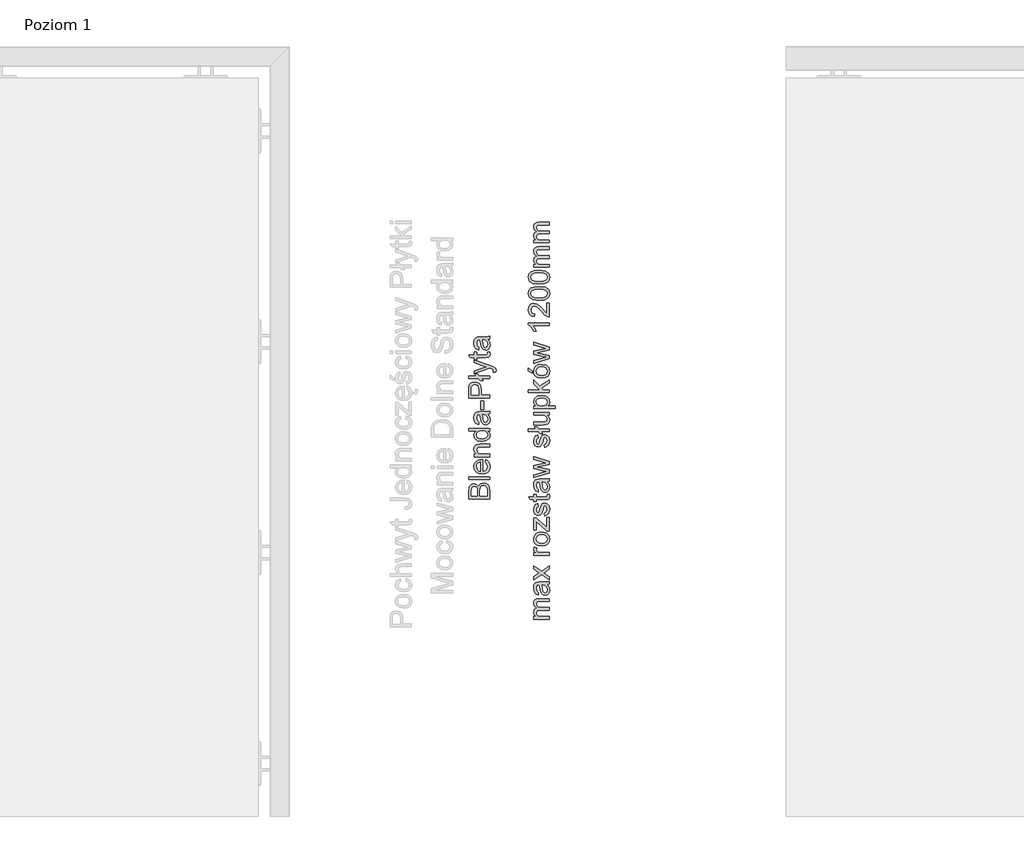
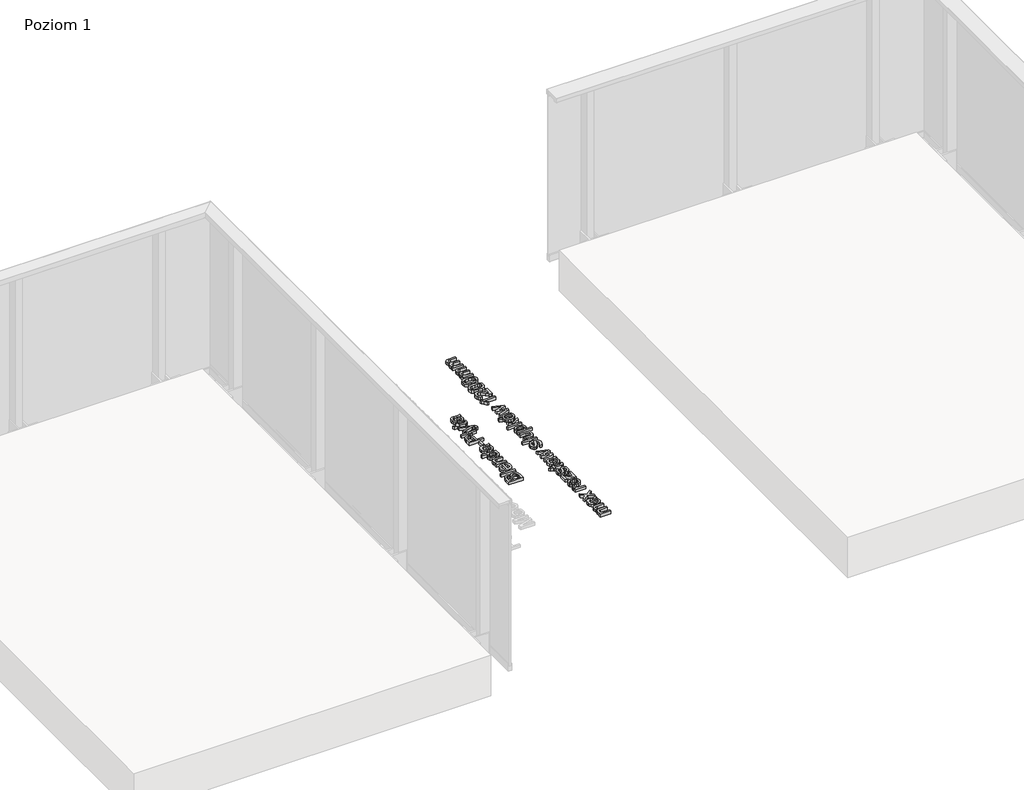
# One storey, part 32 of 35: 2 proxies.
"""IFC4 building model written with IfcOpenShell, lengths in millimetres."""

from ifc_helpers import new_model, si_unit, origin, origin_with_axes, place, context, project, spatial, polyline, outline, extrude, element, save

model = new_model("IFC4")

# Units and contexts
model_context = context("Model", 3, world=origin())
ifc_project = project(units=[si_unit("LENGTHUNIT", "METRE", prefix="MILLI")], contexts=[model_context])

# Site, building, storey
site = spatial("IfcSite", under=ifc_project)
building = spatial("IfcBuilding", under=site)
storey = spatial("IfcBuildingStorey", under=building, Name="Poziom 1", Elevation=0.0)

# Proxies
placement = place(None, origin())
element("IfcBuildingElementProxy", 1, Name="Generic Models", at=placement, inside=storey, context=model_context, shape_type="SweptSolid", body=[
    extrude(outline(polyline([(10487.3598268, 1875.7082277), (10386.9035167, 1875.7082277), (10386.9035167, 1914.0415316), (10389.8588354, 1932.815776), (10398.9455207, 1943.9012868), (10411.796865, 1947.9112006), (10423.5323007, 1944.538949), (10432.4227822, 1934.3486177), (10441.7915104, 1946.7217155), (10457.4142324, 1951.0504603), (10470.9155017, 1948.0951416), (10480.5294845, 1940.7742899), (10485.6307815, 1929.8481946), (10487.3598268, 1913.747226), (10487.3598268, 1875.7082277)]), holes=[polyline([(10427.7138927, 1888.2652664), (10427.7138927, 1911.1965775), (10426.6347722, 1924.5874821), (10421.9871963, 1932.6440978), (10413.8079533, 1935.3541618), (10405.6164475, 1932.8280388), (10400.7726679, 1925.5930262), (10399.4605555, 1909.4552693), (10399.4605555, 1888.2652664), (10427.7138927, 1888.2652664)]), polyline([(10474.8027881, 1888.2652664), (10474.8027881, 1914.0170061), (10474.3122788, 1923.3366833), (10471.5776893, 1931.2216207), (10465.9981457, 1936.4455451), (10457.5368598, 1938.4934215), (10447.7757242, 1936.0899258), (10441.9509259, 1928.3030902), (10440.2709315, 1912.7907328), (10440.2709315, 1888.2652664), (10474.8027881, 1888.2652664)])]), origin_with_axes(), (0.0, 0.0, 1.0), 20.0),
    extrude(outline(polyline([(10487.3598268, 1966.7467587), (10386.9035167, 1966.7467587), (10386.9035167, 1979.3037975), (10487.3598268, 1979.3037975), (10487.3598268, 1966.7467587)])), origin_with_axes(), (0.0, 0.0, 1.0), 20.0),
    extrude(outline(polyline([(10465.385009, 2049.7899878), (10466.9546388, 2062.1017719), (10476.2313965, 2057.6657282), (10483.1659721, 2050.5870654), (10487.4885855, 2041.0251992), (10488.9294567, 2029.1395451), (10486.4431875, 2014.4058712), (10478.9843801, 2003.0689744), (10467.0374123, 1995.8400932), (10451.0866621, 1993.4304661), (10434.5994174, 1995.8646186), (10422.2692392, 2003.1670763), (10414.5805055, 2014.3506889), (10412.0175942, 2028.4283066), (10414.5743741, 2042.0675316), (10422.2447137, 2052.9660357), (10434.5503664, 2060.1121434), (10451.0130857, 2062.4941793), (10454.3976001, 2062.4206029), (10454.3976001, 2005.9875049), (10463.7969851, 2008.1610743), (10470.7070352, 2013.2102547), (10474.9560722, 2020.4973839), (10476.3724179, 2029.3847998), (10473.748193, 2041.6965839), (10465.385009, 2049.7899878)]), holes=[polyline([(10441.8405613, 2005.9875049), (10441.8405613, 2049.9371406), (10430.4607449, 2044.90942), (10426.046161, 2037.5885683), (10424.574633, 2028.3792557), (10429.2712598, 2012.9159491), (10434.7618986, 2008.0507097), (10441.8405613, 2005.9875049)])]), origin_with_axes(), (0.0, 0.0, 1.0), 20.0),
    extrude(outline(polyline([(10487.3598268, 2075.0512181), (10413.5872241, 2075.0512181), (10413.5872241, 2087.6082569), (10423.8879199, 2087.6082569), (10414.9851757, 2097.209977), (10412.0175942, 2110.3188387), (10414.4088272, 2122.1769017), (10420.6873466, 2130.2703056), (10429.9211847, 2134.0349647), (10442.0612905, 2134.6971523), (10487.3598268, 2134.6971523), (10487.3598268, 2122.1401135), (10443.7535477, 2122.1401135), (10432.6435114, 2120.693111), (10426.7696622, 2115.5795512), (10424.574633, 2106.9588498), (10429.5042517, 2093.3349533), (10436.6472938, 2089.039931), (10448.2171826, 2087.6082569), (10487.3598268, 2087.6082569), (10487.3598268, 2075.0512181)])), origin_with_axes(), (0.0, 0.0, 1.0), 20.0),
    extrude(outline(polyline([(10487.3598268, 2197.4823461), (10475.5140266, 2197.4823461), (10485.5755992, 2189.1743444), (10488.9294567, 2177.6902948), (10484.0734144, 2162.1411491), (10470.5230942, 2151.1537402), (10450.5471019, 2147.254191), (10430.5588468, 2150.8471718), (10416.8000602, 2161.6138516), (10412.0175942, 2177.6412438), (10415.4388968, 2189.2172639), (10424.3293783, 2197.4823461), (10386.9035167, 2197.4823461), (10386.9035167, 2210.0393849), (10487.3598268, 2210.0393849), (10487.3598268, 2197.4823461)]), holes=[polyline([(10450.4980509, 2159.8112298), (10461.8564075, 2161.2275755), (10469.934483, 2165.4766125), (10474.7629342, 2171.6508987), (10476.3724179, 2178.8429917), (10474.8365106, 2186.032019), (10470.2287886, 2192.0499553), (10462.4634128, 2196.1242484), (10451.4545441, 2197.4823461), (10439.4186715, 2196.0997229), (10431.0738816, 2191.9518534), (10426.1994452, 2185.780633), (10424.574633, 2178.3279569), (10426.1350658, 2171.0622875), (10430.8163642, 2165.1087305), (10438.8576515, 2161.135605), (10450.4980509, 2159.8112298)])]), origin_with_axes(), (0.0, 0.0, 1.0), 20.0),
    extrude(outline(polyline([(10477.9420478, 2275.9638384), (10486.4523846, 2263.7869444), (10488.9294567, 2250.3347261), (10487.4395346, 2239.8408922), (10482.9697684, 2232.1000419), (10476.1823456, 2227.326773), (10467.7394538, 2225.7356833), (10457.8066399, 2228.139179), (10450.5961528, 2234.4544866), (10446.4758745, 2243.2468663), (10444.5874135, 2254.1116479), (10440.2709315, 2275.890262), (10437.4750283, 2275.9638384), (10428.204402, 2272.5057477), (10424.574633, 2258.6243337), (10426.9903914, 2245.9201421), (10435.5620419, 2239.8623519), (10433.9924121, 2227.3053132), (10421.7296789, 2232.737704), (10414.5437173, 2243.676062), (10412.0175942, 2260.2430145), (10414.2494117, 2275.4610663), (10419.8534807, 2284.0572423), (10428.3760803, 2287.9077405), (10439.3634892, 2288.5208772), (10454.9862113, 2288.5208772), (10476.8016136, 2289.1585393), (10487.3598268, 2291.6601369), (10487.3598268, 2279.1030981), (10477.9420478, 2275.9638384)]), holes=[polyline([(10452.8279702, 2275.9638384), (10456.6784685, 2255.7058032), (10458.7140822, 2244.9023353), (10462.0250201, 2240.0095047), (10466.856537, 2238.2927221), (10473.6500912, 2242.0328557), (10476.3724179, 2253.0080019), (10473.3680483, 2265.7121935), (10466.0962475, 2273.9036992), (10456.3841629, 2275.890262), (10452.8279702, 2275.9638384)])]), origin_with_axes(), (0.0, 0.0, 1.0), 20.0),
    extrude(outline(polyline([(10457.5368598, 2299.5082861), (10444.979821, 2299.5082861), (10444.979821, 2338.7490323), (10457.5368598, 2338.7490323), (10457.5368598, 2299.5082861)])), origin_with_axes(), (0.0, 0.0, 1.0), 20.0),
    extrude(outline(polyline([(10487.3598268, 2354.4453307), (10386.9035167, 2354.4453307), (10386.9035167, 2391.6749886), (10387.8600099, 2406.684574), (10392.5566367, 2418.8859935), (10402.2687214, 2426.7954564), (10415.9661943, 2429.7875633), (10427.8058632, 2427.767278), (10437.671232, 2421.7064222), (10444.3298961, 2410.372591), (10446.5494509, 2392.5333799), (10446.5494509, 2367.0023695), (10487.3598268, 2367.0023695), (10487.3598268, 2354.4453307)]), holes=[polyline([(10433.9924121, 2367.0023695), (10433.9924121, 2393.2691439), (10429.3816244, 2411.7613456), (10423.8327376, 2415.8632298), (10416.4076527, 2417.2305246), (10406.008855, 2414.0054257), (10400.3189468, 2405.5318771), (10399.4605555, 2392.9748383), (10399.4605555, 2367.0023695), (10433.9924121, 2367.0023695)])]), origin_with_axes(), (0.0, 0.0, 1.0), 20.0),
    extrude(outline(polyline([(10447.6530968, 2445.4838618), (10455.182415, 2436.0660827), (10441.0557464, 2436.0660827), (10433.5264282, 2445.4838618), (10386.9035167, 2445.4838618), (10386.9035167, 2458.0409006), (10423.470987, 2458.0409006), (10415.9416689, 2467.4586796), (10430.0683375, 2467.4586796), (10437.5976556, 2458.0409006), (10487.3598268, 2458.0409006), (10487.3598268, 2445.4838618), (10447.6530968, 2445.4838618)])), origin_with_axes(), (0.0, 0.0, 1.0), 20.0),
    extrude(outline(polyline([(10515.6131641, 2476.8764587), (10503.5221092, 2475.3068289), (10504.6257552, 2481.6834501), (10503.2400663, 2487.6431384), (10499.3773054, 2491.2974329), (10490.1312045, 2494.7309982), (10487.0900467, 2495.7120169), (10413.5872241, 2469.0283095), (10413.5872241, 2482.2720613), (10454.5447529, 2496.4232554), (10470.9277644, 2501.3528741), (10456.4577393, 2506.2824929), (10413.5872241, 2520.8260944), (10413.5872241, 2533.9717444), (10489.1256604, 2508.2935811), (10505.5086719, 2501.6226543), (10514.3623653, 2494.3385907), (10517.1827939, 2484.5529297), (10515.6131641, 2476.8764587)])), origin_with_axes(), (0.0, 0.0, 1.0), 20.0),
    extrude(outline(polyline([(10476.8874527, 2571.0542495), (10487.7277088, 2572.6238793), (10488.9294567, 2563.2306257), (10486.8447921, 2552.7092006), (10481.3756131, 2547.4607508), (10467.1263171, 2545.9401719), (10426.1442629, 2545.9401719), (10426.1442629, 2536.5223929), (10413.5872241, 2536.5223929), (10413.5872241, 2545.9401719), (10395.6591082, 2545.9401719), (10388.2769428, 2558.4972107), (10413.5872241, 2558.4972107), (10413.5872241, 2571.0542495), (10426.1442629, 2571.0542495), (10426.1442629, 2558.4972107), (10466.7584351, 2558.4972107), (10473.2331582, 2559.1593983), (10475.5262893, 2561.3053766), (10476.3724179, 2565.5850705), (10476.8874527, 2571.0542495)])), origin_with_axes(), (0.0, 0.0, 1.0), 20.0),
    extrude(outline(polyline([(10477.9420478, 2630.7001836), (10486.4523846, 2618.5232896), (10488.9294567, 2605.0710713), (10487.4395346, 2594.5772374), (10482.9697684, 2586.8363871), (10476.1823456, 2582.0631182), (10467.7394538, 2580.4720285), (10457.8066399, 2582.8755243), (10450.5961528, 2589.1908318), (10446.4758745, 2597.9832115), (10444.5874135, 2608.8479931), (10440.2709315, 2630.6266072), (10437.4750283, 2630.7001836), (10428.204402, 2627.2420929), (10424.574633, 2613.3606789), (10426.9903914, 2600.6564874), (10435.5620419, 2594.5986972), (10433.9924121, 2582.0416584), (10421.7296789, 2587.4740492), (10414.5437173, 2598.4124072), (10412.0175942, 2614.9793597), (10414.2494117, 2630.1974116), (10419.8534807, 2638.7935875), (10428.3760803, 2642.6440857), (10439.3634892, 2643.2572224), (10454.9862113, 2643.2572224), (10476.8016136, 2643.8948845), (10487.3598268, 2646.3964821), (10487.3598268, 2633.8394433), (10477.9420478, 2630.7001836)]), holes=[polyline([(10452.8279702, 2630.7001836), (10456.6784685, 2610.4421484), (10458.7140822, 2599.6386805), (10462.0250201, 2594.74585), (10466.856537, 2593.0290673), (10473.6500912, 2596.7692009), (10476.3724179, 2607.7443471), (10473.3680483, 2620.4485387), (10466.0962475, 2628.6400445), (10456.3841629, 2630.6266072), (10452.8279702, 2630.7001836)])]), origin_with_axes(), (0.0, 0.0, 1.0), 20.0),
])
element("IfcBuildingElementProxy", 2, Name="Generic Models", at=placement, inside=storey, context=model_context, shape_type="SweptSolid", body=[
    extrude(outline(polyline([(10769.7173752, 1304.9023417), (10695.9447724, 1304.9023417), (10695.9447724, 1317.4593804), (10708.0848783, 1317.4593804), (10698.1398017, 1326.0923446), (10694.3751426, 1338.3796032), (10698.2133781, 1350.9611675), (10708.9677951, 1357.877349), (10698.0233057, 1367.6752728), (10694.3751426, 1380.0483706), (10695.8926558, 1389.4876094), (10700.4451955, 1396.4681703), (10708.155389, 1400.7815867), (10719.1458636, 1402.2193921), (10769.7173752, 1402.2193921), (10769.7173752, 1389.6623534), (10724.5414662, 1389.6623534), (10714.0568293, 1388.4973937), (10708.8942187, 1384.2790135), (10706.9321813, 1377.1053146), (10711.959902, 1364.7567423), (10718.5020701, 1361.0687253), (10728.0731333, 1359.8393863), (10769.7173752, 1359.8393863), (10769.7173752, 1347.2823475), (10723.1435146, 1347.2823475), (10710.9788833, 1344.3760798), (10706.9321813, 1334.8479361), (10709.6299826, 1325.5527843), (10717.5271828, 1319.3723668), (10732.5122427, 1317.4593804), (10769.7173752, 1317.4593804), (10769.7173752, 1304.9023417)])), origin_with_axes(), (0.0, 0.0, 1.0), 20.0),
    extrude(outline(polyline([(10760.2995961, 1468.1438457), (10768.8099329, 1455.9669516), (10771.287005, 1442.5147333), (10769.797083, 1432.0208994), (10765.3273167, 1424.2800491), (10758.5398939, 1419.5067802), (10750.0970021, 1417.9156906), (10740.1641882, 1420.3191863), (10732.9537011, 1426.6344939), (10728.8334228, 1435.4268736), (10726.9449619, 1446.2916552), (10722.6284798, 1468.0702693), (10719.8325766, 1468.1438457), (10710.5619504, 1464.6857549), (10706.9321813, 1450.804341), (10709.3479398, 1438.1001494), (10717.9195903, 1432.0423592), (10716.3499604, 1419.4853204), (10704.0872273, 1424.9177112), (10696.9012656, 1435.8560692), (10694.3751426, 1452.4230217), (10696.60696, 1467.6410736), (10702.2110291, 1476.2372496), (10710.7336286, 1480.0877478), (10721.7210376, 1480.7008844), (10737.3437596, 1480.7008844), (10759.1591619, 1481.3385466), (10769.7173752, 1483.8401441), (10769.7173752, 1471.2831054), (10760.2995961, 1468.1438457)]), holes=[polyline([(10735.1855186, 1468.1438457), (10739.0360168, 1447.8858105), (10741.0716305, 1437.0823425), (10744.3825685, 1432.189512), (10749.2140853, 1430.4727294), (10756.0076395, 1434.212863), (10758.7299663, 1445.1880092), (10755.7255966, 1457.8922007), (10748.4537959, 1466.0837065), (10738.7417112, 1468.0702693), (10735.1855186, 1468.1438457)])]), origin_with_axes(), (0.0, 0.0, 1.0), 20.0),
    extrude(outline(polyline([(10769.7173752, 1490.1186635), (10732.6348701, 1516.9495237), (10695.9447724, 1491.6882934), (10695.9447724, 1506.7959806), (10713.6031082, 1518.9851374), (10721.9417668, 1524.6750456), (10715.1236871, 1529.6046643), (10695.9447724, 1543.4860783), (10695.9447724, 1558.5937656), (10732.6348701, 1532.057211), (10769.7173752, 1557.6127469), (10769.7173752, 1542.5050596), (10747.4237263, 1527.1275922), (10743.3524989, 1524.3071636), (10769.7173752, 1505.2263508), (10769.7173752, 1490.1186635)])), origin_with_axes(), (0.0, 0.0, 1.0), 20.0),
    extrude(outline(polyline([(10769.7173752, 1607.840902), (10695.9447724, 1607.840902), (10695.9447724, 1618.8283109), (10706.858605, 1618.8283109), (10696.8031637, 1626.6274092), (10694.3751426, 1634.4755584), (10698.2501663, 1647.0816481), (10709.5073553, 1642.8877934), (10706.9321813, 1634.0586255), (10709.4092535, 1626.958503), (10716.276384, 1622.4335544), (10730.9426129, 1620.3979407), (10769.7173752, 1620.3979407), (10769.7173752, 1607.840902)])), origin_with_axes(), (0.0, 0.0, 1.0), 20.0),
    extrude(outline(polyline([(10732.8310738, 1651.7905377), (10715.0439793, 1654.5067331), (10702.5421229, 1662.6553193), (10696.4168877, 1672.7230232), (10694.3751426, 1684.7772899), (10696.8614117, 1697.9689251), (10704.3202192, 1708.5056786), (10716.1629537, 1715.412663), (10731.8010042, 1717.7149912), (10754.1437041, 1713.6437638), (10766.786582, 1701.7857008), (10771.287005, 1684.7772899), (10768.8099329, 1671.4262392), (10761.3787166, 1660.9017484), (10749.2876617, 1654.0683404), (10732.8310738, 1651.7905377)]), holes=[polyline([(10732.8065483, 1664.3475764), (10744.1710363, 1665.8007103), (10752.2675059, 1670.160112), (10757.1143512, 1676.7206742), (10758.7299663, 1684.7772899), (10757.1051541, 1692.7971174), (10752.2307177, 1699.3454169), (10744.0269492, 1703.7048185), (10732.4141409, 1705.1579524), (10721.3807467, 1703.6956215), (10713.3946417, 1699.3086287), (10708.5477964, 1692.7511321), (10706.9321813, 1684.7772899), (10708.5416651, 1676.7206742), (10713.3701163, 1670.160112), (10721.4481917, 1665.8007103), (10732.8065483, 1664.3475764)])]), origin_with_axes(), (0.0, 0.0, 1.0), 20.0),
    extrude(outline(polyline([(10769.7173752, 1723.9935106), (10757.8961004, 1723.9935106), (10708.5018112, 1767.3300096), (10708.5018112, 1754.5031907), (10708.5018112, 1727.1327703), (10695.9447724, 1727.1327703), (10695.9447724, 1785.2090746), (10706.6133503, 1785.2090746), (10750.4403586, 1746.7776688), (10757.1603364, 1740.8915569), (10757.1603364, 1755.410633), (10757.1603364, 1786.7787044), (10769.7173752, 1786.7787044), (10769.7173752, 1723.9935106)])), origin_with_axes(), (0.0, 0.0, 1.0), 20.0),
    extrude(outline(polyline([(10747.7425573, 1794.6268537), (10746.1729275, 1807.1838924), (10755.4926047, 1812.996428), (10758.7299663, 1826.3137562), (10755.7623848, 1839.1160496), (10748.7971524, 1843.2853789), (10743.1562951, 1839.0915241), (10739.5755771, 1826.1666034), (10733.4319477, 1807.2574688), (10726.2582488, 1799.0046494), (10716.1292312, 1796.1964835), (10706.7727658, 1798.4528264), (10699.6235924, 1804.6087185), (10695.9079842, 1812.5917578), (10694.3751426, 1823.3952257), (10696.8399519, 1838.6745912), (10703.5108788, 1848.3866759), (10714.7803306, 1852.703158), (10716.3499604, 1840.1461192), (10709.4215162, 1835.4249669), (10706.9321813, 1824.3762443), (10709.3111516, 1812.3587658), (10714.853907, 1808.7535223), (10718.5082015, 1810.2495757), (10721.2795792, 1814.9339398), (10723.952855, 1825.7496704), (10729.8634924, 1844.1805584), (10736.5589447, 1852.7399462), (10747.4727772, 1855.8424177), (10759.4902557, 1852.2003859), (10768.209059, 1841.6912236), (10771.287005, 1826.1420779), (10769.8032143, 1813.4808059), (10765.3518422, 1804.2408365), (10757.9819395, 1798.0726817), (10747.7425573, 1794.6268537)])), origin_with_axes(), (0.0, 0.0, 1.0), 20.0),
    extrude(outline(polyline([(10759.2450011, 1896.6527937), (10770.0852572, 1898.2224235), (10771.287005, 1888.8291699), (10769.2023404, 1878.3077448), (10763.7331614, 1873.059295), (10749.4838655, 1871.5387161), (10708.5018112, 1871.5387161), (10708.5018112, 1862.120937), (10695.9447724, 1862.120937), (10695.9447724, 1871.5387161), (10678.0166565, 1871.5387161), (10670.6344912, 1884.0957549), (10695.9447724, 1884.0957549), (10695.9447724, 1896.6527937), (10708.5018112, 1896.6527937), (10708.5018112, 1884.0957549), (10749.1159835, 1884.0957549), (10755.5907066, 1884.7579425), (10757.8838377, 1886.9039208), (10758.7299663, 1891.1836147), (10759.2450011, 1896.6527937)])), origin_with_axes(), (0.0, 0.0, 1.0), 20.0),
    extrude(outline(polyline([(10760.2995961, 1956.2987278), (10768.8099329, 1944.1218338), (10771.287005, 1930.6696155), (10769.797083, 1920.1757816), (10765.3273167, 1912.4349312), (10758.5398939, 1907.6616624), (10750.0970021, 1906.0705727), (10740.1641882, 1908.4740684), (10732.9537011, 1914.789376), (10728.8334228, 1923.5817557), (10726.9449619, 1934.4465373), (10722.6284798, 1956.2251514), (10719.8325766, 1956.2987278), (10710.5619504, 1952.8406371), (10706.9321813, 1938.9592231), (10709.3479398, 1926.2550315), (10717.9195903, 1920.1972413), (10716.3499604, 1907.6402026), (10704.0872273, 1913.0725934), (10696.9012656, 1924.0109514), (10694.3751426, 1940.5779039), (10696.60696, 1955.7959557), (10702.2110291, 1964.3921317), (10710.7336286, 1968.2426299), (10721.7210376, 1968.8557666), (10737.3437596, 1968.8557666), (10759.1591619, 1969.4934287), (10769.7173752, 1971.9950263), (10769.7173752, 1959.4379875), (10760.2995961, 1956.2987278)]), holes=[polyline([(10735.1855186, 1956.2987278), (10739.0360168, 1936.0406926), (10741.0716305, 1925.2372247), (10744.3825685, 1920.3443941), (10749.2140853, 1918.6276115), (10756.0076395, 1922.3677451), (10758.7299663, 1933.3428913), (10755.7255966, 1946.0470829), (10748.4537959, 1954.2385886), (10738.7417112, 1956.2251514), (10735.1855186, 1956.2987278)])]), origin_with_axes(), (0.0, 0.0, 1.0), 20.0),
    extrude(outline(polyline([(10769.7173752, 1998.3599026), (10695.9447724, 1975.9191009), (10695.9447724, 1988.966649), (10738.9869659, 2001.695366), (10754.3644333, 2005.4968133), (10739.5510516, 2008.6115475), (10695.9447724, 2018.7405651), (10695.9447724, 2033.7010996), (10739.4284243, 2043.7810663), (10752.8438543, 2046.552444), (10738.6926603, 2050.5255695), (10695.9447724, 2063.278812), (10695.9447724, 2076.375411), (10769.7173752, 2053.7629311), (10769.7173752, 2038.5816674), (10726.4544526, 2028.9431591), (10712.9654461, 2026.147256), (10769.7173752, 2013.7128445), (10769.7173752, 1998.3599026)])), origin_with_axes(), (0.0, 0.0, 1.0), 20.0),
    extrude(outline(polyline([(10747.7425573, 2119.5402318), (10746.1729275, 2132.0972706), (10755.4926047, 2137.9098061), (10758.7299663, 2151.2271343), (10755.7623848, 2164.0294277), (10748.7971524, 2168.198757), (10743.1562951, 2164.0049023), (10739.5755771, 2151.0799815), (10733.4319477, 2132.170847), (10726.2582488, 2123.9180275), (10716.1292312, 2121.1098616), (10706.7727658, 2123.3662045), (10699.6235924, 2129.5220966), (10695.9079842, 2137.5051359), (10694.3751426, 2148.3086038), (10696.8399519, 2163.5879694), (10703.5108788, 2173.300054), (10714.7803306, 2177.6165361), (10716.3499604, 2165.0594973), (10709.4215162, 2160.3383451), (10706.9321813, 2149.2896225), (10709.3111516, 2137.272144), (10714.853907, 2133.6669004), (10718.5082015, 2135.1629539), (10721.2795792, 2139.8473179), (10723.952855, 2150.6630486), (10729.8634924, 2169.0939365), (10736.5589447, 2177.6533243), (10747.4727772, 2180.7557958), (10759.4902557, 2177.113764), (10768.209059, 2166.6046017), (10771.287005, 2151.0554561), (10769.8032143, 2138.3941841), (10765.3518422, 2129.1542146), (10757.9819395, 2122.9860598), (10747.7425573, 2119.5402318)])), origin_with_axes(), (0.0, 0.0, 1.0), 20.0),
    extrude(outline(polyline([(10730.0106452, 2194.8824644), (10737.5399633, 2185.4646853), (10723.4132947, 2185.4646853), (10715.8839766, 2194.8824644), (10669.261065, 2194.8824644), (10669.261065, 2207.4395032), (10705.8285354, 2207.4395032), (10698.2992172, 2216.8572823), (10712.4258858, 2216.8572823), (10719.955204, 2207.4395032), (10769.7173752, 2207.4395032), (10769.7173752, 2194.8824644), (10730.0106452, 2194.8824644)])), origin_with_axes(), (0.0, 0.0, 1.0), 20.0),
    extrude(outline(polyline([(10769.7173752, 2273.3639567), (10757.0377091, 2273.3639567), (10767.7246811, 2263.5292447), (10771.287005, 2250.7024258), (10768.7854075, 2238.8934138), (10762.5068881, 2230.7509589), (10753.2607873, 2227.0108253), (10741.5866653, 2226.2750613), (10695.9447724, 2226.2750613), (10695.9447724, 2238.8321001), (10735.6760279, 2238.8321001), (10748.4783213, 2239.5923896), (10755.9953768, 2244.5587965), (10758.7299663, 2253.9152619), (10755.9340631, 2264.3998988), (10748.3189058, 2271.328343), (10734.3271273, 2273.3639567), (10695.9447724, 2273.3639567), (10695.9447724, 2285.9209955), (10769.7173752, 2285.9209955), (10769.7173752, 2273.3639567)])), origin_with_axes(), (0.0, 0.0, 1.0), 20.0),
    extrude(outline(polyline([(10797.9707124, 2303.1869238), (10695.9447724, 2303.1869238), (10695.9447724, 2315.7439626), (10708.2565565, 2315.7439626), (10697.8454961, 2324.4259776), (10694.3751426, 2336.1491506), (10699.2311849, 2352.0661782), (10712.9163951, 2362.4649759), (10732.2669881, 2365.9721176), (10752.6108624, 2362.0112548), (10766.4677509, 2350.5088111), (10771.287005, 2334.6285716), (10768.0619062, 2323.7024764), (10759.9071887, 2315.7439626), (10797.9707124, 2315.7439626), (10797.9707124, 2303.1869238)]), holes=[polyline([(10733.419685, 2315.7439626), (10744.6768741, 2317.1020603), (10752.5495488, 2321.1763534), (10757.1848619, 2327.1881583), (10758.7299663, 2334.3587915), (10757.1296796, 2341.6459207), (10752.3288196, 2347.8110098), (10744.1679706, 2352.0140616), (10732.4877173, 2353.4150789), (10721.2918419, 2352.0477841), (10713.3088026, 2347.9458999), (10708.5263367, 2341.943292), (10706.9321813, 2334.8738263), (10708.6275042, 2327.7767695), (10713.7134728, 2321.5442353), (10722.0306716, 2317.1940308), (10733.419685, 2315.7439626)])]), origin_with_axes(), (0.0, 0.0, 1.0), 20.0),
    extrude(outline(polyline([(10769.7173752, 2380.0987862), (10669.261065, 2380.0987862), (10669.261065, 2392.655825), (10723.2416165, 2392.655825), (10695.9447724, 2420.8110604), (10695.9447724, 2438.1750906), (10723.584973, 2409.6764987), (10769.7173752, 2439.7447204), (10769.7173752, 2425.0784915), (10732.316039, 2400.6756525), (10740.0906118, 2392.655825), (10769.7173752, 2392.655825), (10769.7173752, 2380.0987862)])), origin_with_axes(), (0.0, 0.0, 1.0), 20.0),
    extrude(outline(polyline([(10732.8310738, 2447.5928696), (10715.0439793, 2450.309065), (10702.5421229, 2458.4576512), (10696.4168877, 2468.5253552), (10694.3751426, 2480.5796219), (10696.8614117, 2493.7712571), (10704.3202192, 2504.3080106), (10716.1629537, 2511.214995), (10731.8010042, 2513.5173232), (10754.1437041, 2509.4460958), (10766.786582, 2497.5880328), (10771.287005, 2480.5796219), (10768.8099329, 2467.2285711), (10761.3787166, 2456.7040804), (10749.2876617, 2449.8706723), (10732.8310738, 2447.5928696)]), holes=[polyline([(10732.8065483, 2460.1499084), (10744.1710363, 2461.6030423), (10752.2675059, 2465.9624439), (10757.1143512, 2472.5230062), (10758.7299663, 2480.5796219), (10757.1051541, 2488.5994494), (10752.2307177, 2495.1477489), (10744.0269492, 2499.5071505), (10732.4141409, 2500.9602844), (10721.3807467, 2499.4979535), (10713.3946417, 2495.1109607), (10708.5477964, 2488.5534641), (10706.9321813, 2480.5796219), (10708.5416651, 2472.5230062), (10713.3701163, 2465.9624439), (10721.4481917, 2461.6030423), (10732.8065483, 2460.1499084)])]), origin_with_axes(), (0.0, 0.0, 1.0), 20.0),
    extrude(outline(polyline([(10688.0966232, 2471.1373173), (10669.261065, 2480.5550964), (10669.261065, 2496.2513949), (10688.0966232, 2480.5550964), (10688.0966232, 2471.1373173)])), origin_with_axes(), (0.0, 0.0, 1.0), 20.0),
    extrude(outline(polyline([(10769.7173752, 2539.8821995), (10695.9447724, 2517.4413978), (10695.9447724, 2530.4889459), (10738.9869659, 2543.2176629), (10754.3644333, 2547.0191102), (10739.5510516, 2550.1338444), (10695.9447724, 2560.262862), (10695.9447724, 2575.2233965), (10739.4284243, 2585.3033632), (10752.8438543, 2588.0747409), (10738.6926603, 2592.0478664), (10695.9447724, 2604.8011089), (10695.9447724, 2617.8977079), (10769.7173752, 2595.285228), (10769.7173752, 2580.1039643), (10726.4544526, 2570.465456), (10712.9654461, 2567.6695529), (10769.7173752, 2555.2351414), (10769.7173752, 2539.8821995)])), origin_with_axes(), (0.0, 0.0, 1.0), 20.0),
    extrude(outline(polyline([(10769.7173752, 2709.7210539), (10769.7173752, 2697.1640152), (10691.4320866, 2697.1640152), (10699.9056352, 2685.269164), (10706.2454683, 2672.0499376), (10694.3751426, 2672.0499376), (10682.6274442, 2690.4563001), (10669.261065, 2701.62765), (10669.261065, 2709.7210539), (10769.7173752, 2709.7210539)])), origin_with_axes(), (0.0, 0.0, 1.0), 20.0),
    extrude(outline(polyline([(10757.1603364, 2803.8988447), (10769.7173752, 2803.8988447), (10769.7173752, 2737.9743912), (10761.0598856, 2739.3232918), (10747.7302946, 2746.9507118), (10733.1744303, 2762.6715358), (10712.2542075, 2784.352048), (10698.0294371, 2789.7721761), (10686.5147306, 2784.6586163), (10681.8181038, 2771.3044999), (10686.404366, 2757.3862978), (10699.0840321, 2752.1010598), (10697.5144023, 2739.544021), (10685.3681651, 2742.5882445), (10676.4960776, 2749.1702665), (10671.0698182, 2758.9467306), (10669.261065, 2771.57428), (10671.2721533, 2784.2938), (10677.305418, 2794.05187), (10686.3185269, 2800.2598786), (10697.2691476, 2802.3292148), (10709.1762615, 2800.0973974), (10721.4880456, 2792.6784438), (10738.6926603, 2774.6890143), (10750.7714524, 2760.2435146), (10757.1603364, 2754.5781319), (10757.1603364, 2803.8988447)])), origin_with_axes(), (0.0, 0.0, 1.0), 20.0),
    extrude(outline(polyline([(10720.2985605, 2816.4558835), (10691.3952984, 2820.1469661), (10674.730244, 2831.1098496), (10669.261065, 2849.4181102), (10672.4984266, 2864.0843391), (10681.8303665, 2874.2133567), (10696.6927992, 2880.0994686), (10720.2985605, 2882.380337), (10749.0791953, 2878.7260425), (10765.7810378, 2867.7999473), (10769.9105132, 2859.5685876), (10771.287005, 2849.4181102), (10768.8957721, 2836.3705621), (10761.7220732, 2826.4622737), (10744.7320564, 2818.957481), (10720.2985605, 2816.4558835)]), holes=[polyline([(10720.274035, 2829.0129222), (10740.0262325, 2830.4844502), (10751.4581655, 2834.8990342), (10756.9120161, 2841.4718591), (10758.7299663, 2849.4181102), (10756.9058847, 2857.3643613), (10751.43364, 2863.9371863), (10739.9955757, 2868.3517702), (10720.274035, 2869.8232982), (10700.9663617, 2868.4008212), (10689.4455238, 2864.13339), (10683.7249588, 2857.5728278), (10681.8181038, 2849.2709574), (10683.4980983, 2841.4105455), (10688.5380816, 2835.0952379), (10700.7762893, 2830.5335011), (10720.274035, 2829.0129222)])]), origin_with_axes(), (0.0, 0.0, 1.0), 20.0),
    extrude(outline(polyline([(10720.2985605, 2893.3677459), (10691.3952984, 2897.0588286), (10674.730244, 2908.0217121), (10669.261065, 2926.3299727), (10672.4984266, 2940.9962016), (10681.8303665, 2951.1252192), (10696.6927992, 2957.0113311), (10720.2985605, 2959.2921995), (10749.0791953, 2955.637905), (10765.7810378, 2944.7118097), (10769.9105132, 2936.4804501), (10771.287005, 2926.3299727), (10768.8957721, 2913.2824246), (10761.7220732, 2903.3741362), (10744.7320564, 2895.8693435), (10720.2985605, 2893.3677459)]), holes=[polyline([(10720.274035, 2905.9247847), (10740.0262325, 2907.3963127), (10751.4581655, 2911.8108966), (10756.9120161, 2918.3837216), (10758.7299663, 2926.3299727), (10756.9058847, 2934.2762238), (10751.43364, 2940.8490488), (10739.9955757, 2945.2636327), (10720.274035, 2946.7351607), (10700.9663617, 2945.3126836), (10689.4455238, 2941.0452525), (10683.7249588, 2934.4846902), (10681.8181038, 2926.1828199), (10683.4980983, 2918.3224079), (10688.5380816, 2912.0071003), (10700.7762893, 2907.4453636), (10720.274035, 2905.9247847)])]), origin_with_axes(), (0.0, 0.0, 1.0), 20.0),
    extrude(outline(polyline([(10769.7173752, 2973.4188681), (10695.9447724, 2973.4188681), (10695.9447724, 2985.9759068), (10708.0848783, 2985.9759068), (10698.1398017, 2994.608871), (10694.3751426, 3006.8961296), (10698.2133781, 3019.4776939), (10708.9677951, 3026.3938754), (10698.0233057, 3036.1917992), (10694.3751426, 3048.564897), (10695.8926558, 3058.0041358), (10700.4451955, 3064.9846967), (10708.155389, 3069.2981131), (10719.1458636, 3070.7359185), (10769.7173752, 3070.7359185), (10769.7173752, 3058.1788798), (10724.5414662, 3058.1788798), (10714.0568293, 3057.0139201), (10708.8942187, 3052.7955399), (10706.9321813, 3045.621841), (10711.959902, 3033.2732687), (10718.5020701, 3029.5852517), (10728.0731333, 3028.3559127), (10769.7173752, 3028.3559127), (10769.7173752, 3015.7988739), (10723.1435146, 3015.7988739), (10710.9788833, 3012.8926062), (10706.9321813, 3003.3644625), (10709.6299826, 2994.0693107), (10717.5271828, 2987.8888932), (10732.5122427, 2985.9759068), (10769.7173752, 2985.9759068), (10769.7173752, 2973.4188681)])), origin_with_axes(), (0.0, 0.0, 1.0), 20.0),
    extrude(outline(polyline([(10769.7173752, 3089.5714767), (10695.9447724, 3089.5714767), (10695.9447724, 3102.1285154), (10708.0848783, 3102.1285154), (10698.1398017, 3110.7614796), (10694.3751426, 3123.0487382), (10698.2133781, 3135.6303025), (10708.9677951, 3142.546484), (10698.0233057, 3152.3444078), (10694.3751426, 3164.7175056), (10695.8926558, 3174.1567444), (10700.4451955, 3181.1373053), (10708.155389, 3185.4507217), (10719.1458636, 3186.8885271), (10769.7173752, 3186.8885271), (10769.7173752, 3174.3314884), (10724.5414662, 3174.3314884), (10714.0568293, 3173.1665287), (10708.8942187, 3168.9481485), (10706.9321813, 3161.7744496), (10711.959902, 3149.4258773), (10718.5020701, 3145.7378603), (10728.0731333, 3144.5085213), (10769.7173752, 3144.5085213), (10769.7173752, 3131.9514825), (10723.1435146, 3131.9514825), (10710.9788833, 3129.0452148), (10706.9321813, 3119.5170711), (10709.6299826, 3110.2219193), (10717.5271828, 3104.0415018), (10732.5122427, 3102.1285154), (10769.7173752, 3102.1285154), (10769.7173752, 3089.5714767)])), origin_with_axes(), (0.0, 0.0, 1.0), 20.0),
])

save(model, "model.ifc")
